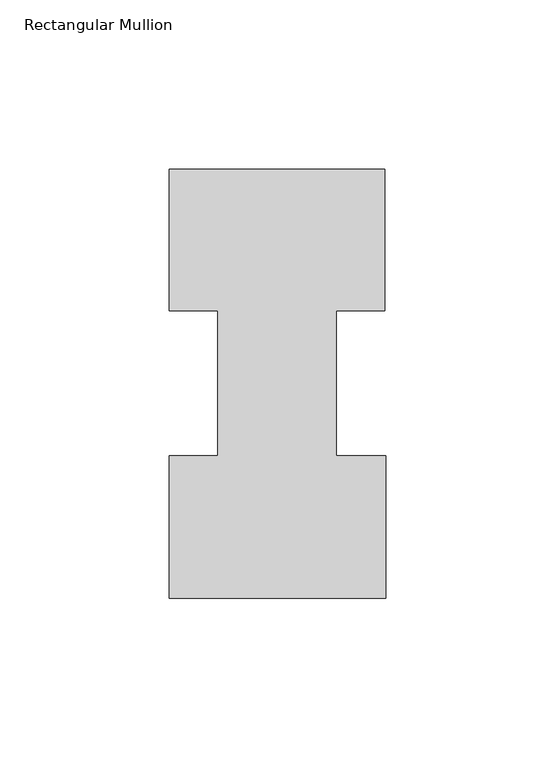
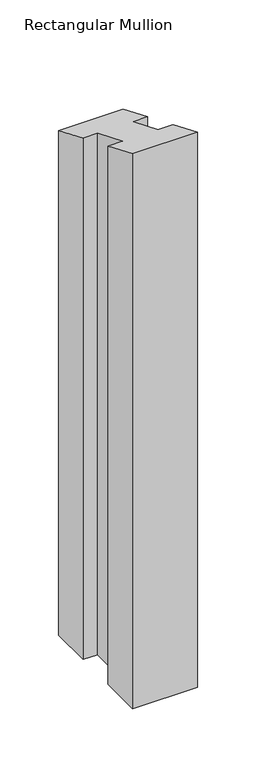
"""IFC4 building model written with IfcOpenShell, lengths in millimetres: member geometry, Rectangular Mullion."""

from ifc_helpers import new_model, si_unit, origin, place, context, project, spatial, faceted_brep, source, transform, mapped, element, save


def rectangular_mullion_405f2bd2(model_context):
    return source(origin(), model_context, "Body", "Brep", [
        faceted_brep([(-49.21504, 85.1296875, -577.85), (-63.5, 85.1296875, -577.85), (-63.5, 126.7349164, -577.85), (0.0, 126.7349164, -577.85), (0.0, 85.1296875, -577.85), (-14.2748, 85.1296875, -577.85), (-14.2748, 42.2799164, -577.85), (0.2408142, 42.2799164, -577.85), (0.2408142, 0.2429164, -577.85), (-63.5, 0.2429164, -577.85), (-63.5, 42.2799164, -577.85), (-49.21504, 42.2799164, -577.85), (-49.21504, 42.2799164, -17.5129148), (-49.21504, 85.1296875, -35.2618711), (-63.5, 42.2799164, -17.5129148), (-63.5, 0.2429164, -0.1006192), (0.2408142, 0.2429164, -0.1006192), (0.2408142, 42.2799164, -17.5129148), (-14.2748, 42.2799164, -17.5129148), (-14.2748, 85.1296875, -35.2618711), (0.0, 85.1296875, -35.2618711), (0.0, 126.7349164, -52.4953212), (-63.5, 126.7349164, -52.4953212), (-63.5, 85.1296875, -35.2618711)], [[[0, 1, 2, 3, 4, 5, 6, 7, 8, 9, 10, 11]], [[12, 13, 0, 11]], [[14, 12, 11, 10]], [[15, 14, 10, 9]], [[16, 15, 9, 8]], [[17, 16, 8, 7]], [[18, 17, 7, 6]], [[19, 18, 6, 5]], [[20, 19, 5, 4]], [[21, 20, 4, 3]], [[22, 21, 3, 2]], [[23, 22, 2, 1]], [[13, 23, 1, 0]], [[13, 12, 14, 15, 16, 17, 18, 19, 20, 21, 22, 23]]]),
    ])


if __name__ == "__main__":
    model = new_model("IFC4")
    model_context = context("Model", 3, world=origin())
    ifc_project = project(units=[si_unit("LENGTHUNIT", "METRE", prefix="MILLI")], contexts=[model_context])
    site = spatial("IfcSite", under=ifc_project)
    building = spatial("IfcBuilding", under=site)
    placement = place(None, origin())
    rectangular_mullion_shape = rectangular_mullion_405f2bd2(model_context)
    element("IfcMember", 1, ObjectType="Rectangular Mullion", at=placement, inside=building, context=model_context, shape_type="MappedRepresentation", body=[
        mapped(rectangular_mullion_shape, transform((0.0, 0.0, 0.0), x_axis=(1.0, 0.0, 0.0), y_axis=(0.0, 1.0, 0.0), z_axis=(0.0, 0.0, 1.0))),
    ])
    save(model, "model.ifc")
